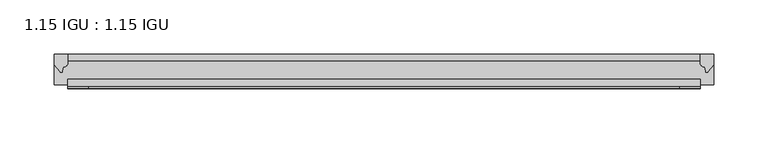
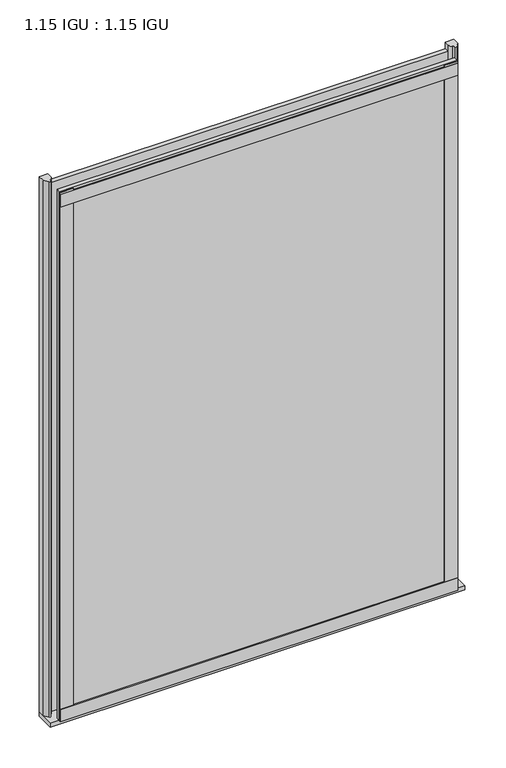
"""IFC4 building model written with IfcOpenShell, lengths in millimetres: plate geometry, 1.15 IGU : 1.15 IGU."""

from ifc_helpers import new_model, si_unit, point, frame, frame_2d, origin, place, context, project, spatial, polyline, circle_curve, trimmed, segment, composite_curve, outline, extrude, source, transform, mapped, element, save


def plate_1_15_igu_1_15_igu_af510aa0(model_context):
    return source(origin(), model_context, "Body", "SweptSolid", [
        extrude(outline(polyline([(292.1, 0.0), (292.1, -6.2992), (-292.1, -6.2992), (-292.1, 0.0), (292.1, 0.0)])), frame((0.0, 0.0, -19.05), z_axis=(0.0, 0.0, 1.0), x_axis=(1.0, 0.0, 0.0)), (0.0, 0.0, 1.0), 822.3250001),
        extrude(outline(polyline([(-292.1, -23.1648), (292.1, -23.1648), (292.1, -29.464), (-292.1, -29.464), (-292.1, -23.1648)])), frame((0.0, 0.0, -19.05), z_axis=(0.0, 0.0, 1.0), x_axis=(1.0, 0.0, 0.0)), (0.0, 0.0, 1.0), 822.3250001),
        extrude(outline(composite_curve([segment(trimmed(circle_curve(frame_2d((10.9021792, -22.6833935)), 11.4916952), [point((0.0, -19.05))], [point((-0.2638007, -25.4))], True, "CARTESIAN"), True, "CONTINUOUS"), segment(polyline([(-0.2638007, -25.4), (-27.9952564, -25.4), (-27.9952564, -19.05), (0.0, -19.05)]), True, "CONTINUOUS")], self_intersect=False)), frame((-304.8, 0.0, 0.0), z_axis=(1.0, 0.0, 0.0), x_axis=(0.0, 1.0, 0.0)), (0.0, 0.0, 1.0), 609.6),
        extrude(outline(composite_curve([segment(polyline([(304.8, 0.0), (304.8, -9.7395025), (299.2337691, -16.3730781)]), True, "CONTINUOUS"), segment(trimmed(circle_curve(frame_2d((298.2800941, -15.7728374)), 1.1268473), [point((299.2337691, -16.3730781))], [point((297.1791412, -16.0130197))], False, "CARTESIAN"), True, "CONTINUOUS"), segment(polyline([(297.1791412, -16.0130197), (296.1989498, -11.7377885)]), True, "CONTINUOUS"), segment(trimmed(circle_curve(frame_2d((296.0714979, -7.7683362)), 3.9714979), [point((296.1989498, -11.7377885))], [point((292.1001786, -7.8060014))], False, "CARTESIAN"), True, "CONTINUOUS"), segment(polyline([(292.1001786, -7.8060014), (292.1001786, 0.0), (304.8, 0.0)]), True, "CONTINUOUS")], self_intersect=False)), frame((0.0, 0.0, -19.05), z_axis=(0.0, 0.0, 1.0), x_axis=(1.0, 0.0, 0.0)), (0.0, 0.0, 1.0), 832.6374001),
        extrude(outline(composite_curve([segment(polyline([(-292.1, 8.8e-06), (-292.1, -7.7683362)]), True, "CONTINUOUS"), segment(trimmed(circle_curve(frame_2d((-296.0714979, -7.7683362)), 3.9714979), [point((-292.1, -7.7683362))], [point((-296.1989498, -11.7377885))], False, "CARTESIAN"), True, "CONTINUOUS"), segment(polyline([(-296.1989498, -11.7377885), (-297.1789843, -16.012436)]), True, "CONTINUOUS"), segment(trimmed(circle_curve(frame_2d((-298.2801933, -15.7723555)), 1.1270758), [point((-297.1789843, -16.012436))], [point((-299.2340327, -16.372764))], False, "CARTESIAN"), True, "CONTINUOUS"), segment(polyline([(-299.2340327, -16.372764), (-304.8, -9.7395025), (-304.8, 8.8e-06), (-292.1, 8.8e-06)]), True, "CONTINUOUS")], self_intersect=False)), frame((0.0, 0.0, -19.05), z_axis=(0.0, 0.0, 1.0), x_axis=(1.0, 0.0, 0.0)), (0.0, 0.0, 1.0), 832.6374001),
        extrude(outline(polyline([(-292.1, -31.75), (-292.1, -29.464), (292.1, -29.464), (292.1, -31.75), (-292.1, -31.75)])), frame((0.0, 0.0, -19.05), z_axis=(0.0, 0.0, 1.0), x_axis=(1.0, 0.0, 0.0)), (0.0, 0.0, 1.0), 19.05),
        extrude(outline(polyline([(-292.1, -31.75), (-292.1, -29.464), (292.1, -29.464), (292.1, -31.75), (-292.1, -31.75)])), frame((0.0, 0.0, 781.0500001), z_axis=(0.0, 0.0, 1.0), x_axis=(1.0, 0.0, 0.0)), (0.0, 0.0, 1.0), 19.05),
        extrude(outline(polyline([(273.05, -29.464), (292.1, -29.464), (292.1, -31.75), (273.05, -31.75), (273.05, -29.464)])), frame((0.0, 0.0, -19.05), z_axis=(0.0, 0.0, 1.0), x_axis=(1.0, 0.0, 0.0)), (0.0, 0.0, 1.0), 822.3250001),
        extrude(outline(polyline([(-292.1, -31.75), (-292.1, -29.464), (-273.05, -29.464), (-273.05, -31.75), (-292.1, -31.75)])), frame((0.0, 0.0, -19.05), z_axis=(0.0, 0.0, 1.0), x_axis=(1.0, 0.0, 0.0)), (0.0, 0.0, 1.0), 822.3250001),
    ])


if __name__ == "__main__":
    model = new_model("IFC4")
    model_context = context("Model", 3, world=origin())
    ifc_project = project(units=[si_unit("LENGTHUNIT", "METRE", prefix="MILLI")], contexts=[model_context])
    site = spatial("IfcSite", under=ifc_project)
    building = spatial("IfcBuilding", under=site)
    placement = place(None, origin())
    plate_1_15_igu_1_15_igu_shape = plate_1_15_igu_1_15_igu_af510aa0(model_context)
    element("IfcPlate", 1, ObjectType="1.15 IGU : 1.15 IGU", at=placement, inside=building, context=model_context, shape_type="MappedRepresentation", body=[
        mapped(plate_1_15_igu_1_15_igu_shape, transform((0.0, 0.0, 0.0), x_axis=(1.0, 0.0, 0.0), y_axis=(0.0, 1.0, 0.0), z_axis=(0.0, 0.0, 1.0))),
    ])
    save(model, "model.ifc")
